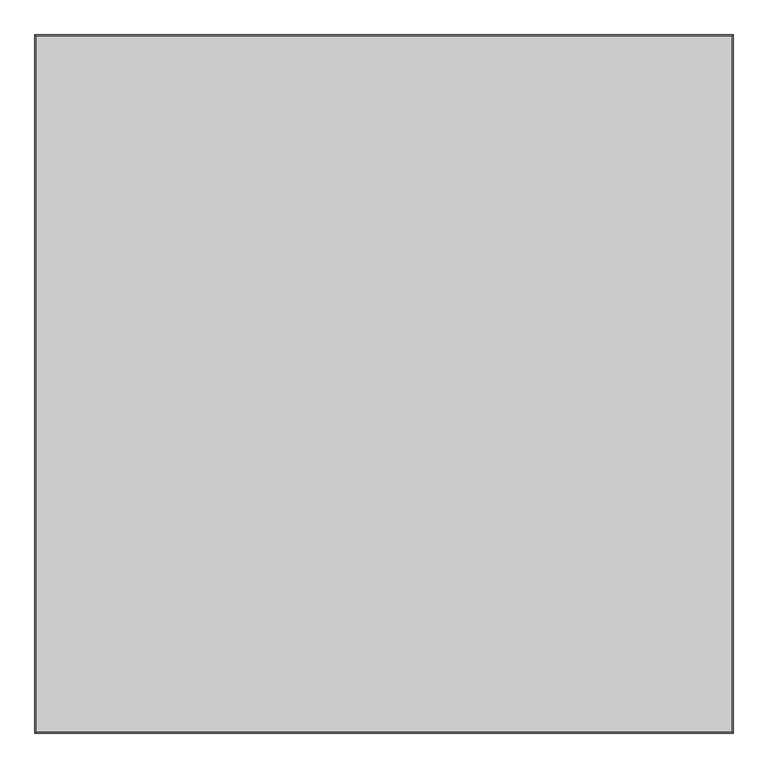
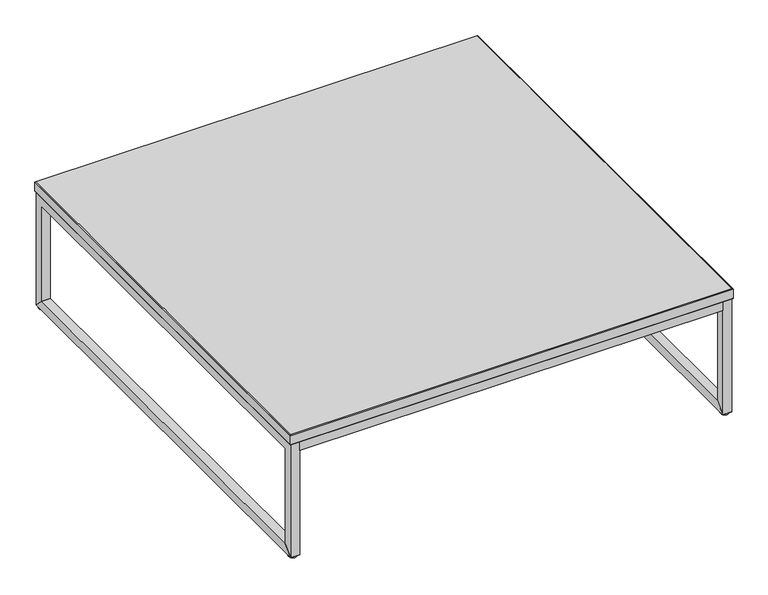
"""IFC4 building model written with IfcOpenShell, lengths in millimetres: furniture geometry."""

import ifcopenshell
import ifcopenshell.guid

model = None  # the IFC model being written
_history = None  # IfcOwnerHistory: only IFC2X3 demands one
_inside = {}  # id of a spatial element -> (the spatial element, [elements in it])
_under = {}  # id of a project, library or spatial element -> (it, [spatial elements below it])
_declared = {}  # id of a project -> (the project, [libraries it declares])
_typed = {}  # id of a type object -> (the type object, [elements of that type])
_made_of = {}  # id of a material, layer set ... -> (it, [elements and type objects made of it])


def new_model(schema):
    """Start an empty IFC model of exactly this schema.

    Asked for "IFC4X3", IfcOpenShell would pick the latest addendum, in which some entities
    have other attributes; the version numbers below select the first issue.
    IFC2X3 requires an IfcOwnerHistory on every rooted entity: one is made here for all.
    """
    global model, _history
    if schema == "IFC4X3":
        model = ifcopenshell.file(schema_version=(4, 3, 0, 0))
    else:
        model = ifcopenshell.file(schema=schema)
    _inside.clear()
    _under.clear()
    _declared.clear()
    _typed.clear()
    _made_of.clear()
    _history = None
    if model.schema == "IFC2X3":
        org = make("IfcOrganization", Name="unknown")
        user = make(
            "IfcPersonAndOrganization",
            ThePerson=make("IfcPerson", FamilyName="unknown"),
            TheOrganization=org,
        )
        app = make(
            "IfcApplication",
            ApplicationDeveloper=org,
            Version="unknown",
            ApplicationFullName="unknown",
            ApplicationIdentifier="unknown",
        )
        _history = make(
            "IfcOwnerHistory",
            OwningUser=user,
            OwningApplication=app,
            ChangeAction="ADDED",
            CreationDate=0,
        )
    return model


def make(cls, **values):
    """One entity of the class cls with the attributes given. An attribute that is None is left unset."""
    return model.create_entity(
        cls, **{name: value for name, value in values.items() if value is not None}
    )


def rooted(cls, **values):
    """An entity with a GlobalId (a new one), such as an element, a storey or a relation."""
    return make(cls, GlobalId=ifcopenshell.guid.new(), OwnerHistory=_history, **values)


def si_unit(unit_type, name, prefix=None):
    """IfcSIUnit, for example si_unit("LENGTHUNIT", "METRE", prefix="MILLI")."""
    return make("IfcSIUnit", UnitType=unit_type, Prefix=prefix, Name=name)


def assignment(units):
    """IfcUnitAssignment: the units of a project."""
    return None if units is None else make("IfcUnitAssignment", Units=units)


def point(xyz):
    """IfcCartesianPoint."""
    return None if xyz is None else make("IfcCartesianPoint", Coordinates=xyz)


def direction(xyz):
    """IfcDirection."""
    return None if xyz is None else make("IfcDirection", DirectionRatios=xyz)


def frame(location, z_axis=None, x_axis=None):
    """IfcAxis2Placement3D, a coordinate frame: its origin and axes. An axis left out is left unset."""
    return make(
        "IfcAxis2Placement3D",
        Location=point(location),
        Axis=direction(z_axis),
        RefDirection=direction(x_axis),
    )


def frame_2d(location, x_axis=None):
    """IfcAxis2Placement2D, a coordinate frame in the plane: its origin and x axis."""
    return make(
        "IfcAxis2Placement2D", Location=point(location), RefDirection=direction(x_axis)
    )


def origin():
    """The frame at (0, 0, 0) with its axes left unset."""
    return frame((0.0, 0.0, 0.0))


def origin_with_axes():
    """The frame at (0, 0, 0) with the z axis (0, 0, 1) and the x axis (1, 0, 0) written out."""
    return frame((0.0, 0.0, 0.0), z_axis=(0.0, 0.0, 1.0), x_axis=(1.0, 0.0, 0.0))


def place(relative_to, where):
    """IfcLocalPlacement: puts the frame where relative to a parent placement (None: the world)."""
    return make(
        "IfcLocalPlacement", PlacementRelTo=relative_to, RelativePlacement=where
    )


def context(
    kind, dimensions, precision=None, world=None, true_north=None, identifier=None
):
    """IfcGeometricRepresentationContext, for example the 3D "Model" context."""
    return make(
        "IfcGeometricRepresentationContext",
        ContextIdentifier=identifier,
        ContextType=kind,
        CoordinateSpaceDimension=dimensions,
        Precision=precision,
        WorldCoordinateSystem=world,
        TrueNorth=true_north,
    )


def project(units=None, contexts=None):
    """IfcProject with its units and contexts."""
    return rooted(
        "IfcProject",
        Name="project",
        RepresentationContexts=contexts,
        UnitsInContext=assignment(units),
    )


def spatial(cls, under=None, at=None, **own):
    """A site, building, storey or space (cls), placed at a placement, below another one or the project."""
    s = rooted(cls, ObjectPlacement=at, **own)
    if under is not None:
        _under.setdefault(under.id(), (under, []))[1].append(s)
    return s


def polyline(points):
    """IfcPolyline through the points."""
    return make("IfcPolyline", Points=[point(p) for p in points])


def circle_curve(where, radius):
    """IfcCircle in the frame where."""
    return make("IfcCircle", Position=where, Radius=radius)


def trimmed(basis, trim1, trim2, sense, master):
    """IfcTrimmedCurve: the piece of a basis curve between two trims."""
    return make(
        "IfcTrimmedCurve",
        BasisCurve=basis,
        Trim1=trim1,
        Trim2=trim2,
        SenseAgreement=sense,
        MasterRepresentation=master,
    )


def segment(curve, same_sense, transition):
    """IfcCompositeCurveSegment."""
    return make(
        "IfcCompositeCurveSegment",
        Transition=transition,
        SameSense=same_sense,
        ParentCurve=curve,
    )


def composite_curve(segments, self_intersect=None):
    """IfcCompositeCurve: segments joined end to end."""
    return make("IfcCompositeCurve", Segments=segments, SelfIntersect=self_intersect)


def outline(outer, holes=None, kind="AREA"):
    """IfcArbitraryClosedProfileDef: a profile drawn as a closed curve; with holes, ...WithVoids."""
    if holes is None:
        return make("IfcArbitraryClosedProfileDef", ProfileType=kind, OuterCurve=outer)
    return make(
        "IfcArbitraryProfileDefWithVoids",
        ProfileType=kind,
        OuterCurve=outer,
        InnerCurves=holes,
    )


def extrude(swept, where, along, depth):
    """IfcExtrudedAreaSolid: the profile swept, set in the frame where, extruded along a direction by depth."""
    return make(
        "IfcExtrudedAreaSolid",
        SweptArea=swept,
        Position=where,
        ExtrudedDirection=direction(along),
        Depth=depth,
    )


def faces_of(points, faces, orient=None, outer=None):
    """IfcFace entities. A face is a list of loops; a loop is a list of indices into points, from 0.

    orient and outer hold one flag for each loop. By default every Orientation is true, the
    first loop of a face is its IfcFaceOuterBound and the others are IfcFaceBound.
    """
    made = []
    for i, loops in enumerate(faces):
        bounds = []
        for j, loop in enumerate(loops):
            is_outer = j == 0 if outer is None else outer[i][j]
            bounds.append(
                make(
                    "IfcFaceOuterBound" if is_outer else "IfcFaceBound",
                    Bound=make("IfcPolyLoop", Polygon=[points[k] for k in loop]),
                    Orientation=True if orient is None else orient[i][j],
                )
            )
        made.append(make("IfcFace", Bounds=bounds))
    return made


def faceted_brep(points, faces, orient=None, outer=None, voids=None):
    """IfcFacetedBrep: a solid bounded by flat faces; with voids (closed shells), ...WithVoids."""
    shared = [point(p) for p in points]
    hull = make("IfcClosedShell", CfsFaces=faces_of(shared, faces, orient, outer))
    if voids is None:
        return make("IfcFacetedBrep", Outer=hull)
    return make(
        "IfcFacetedBrepWithVoids",
        Outer=hull,
        Voids=[
            make(cls, CfsFaces=faces_of(shared, fs, o, b)) for cls, fs, o, b in voids
        ],
    )


def shape(context_of_items, identifier, shape_type, items):
    """IfcShapeRepresentation: the items that make up one representation, for example the "Body"."""
    return make(
        "IfcShapeRepresentation",
        ContextOfItems=context_of_items,
        RepresentationIdentifier=identifier,
        RepresentationType=shape_type,
        Items=items,
    )


def source(mapping_origin, context_of_items, identifier, shape_type, items):
    """IfcRepresentationMap: a shape defined once, which mapped items show again and again."""
    return make(
        "IfcRepresentationMap",
        MappingOrigin=mapping_origin,
        MappedRepresentation=shape(context_of_items, identifier, shape_type, items),
    )


def transform(
    local_origin,
    x_axis=None,
    y_axis=None,
    z_axis=None,
    scale=None,
    scale2=None,
    scale3=None,
    uniform=True,
):
    """IfcCartesianTransformationOperator3D, or its non-uniform kind. x_axis, y_axis, z_axis: its Axis1, 2, 3."""
    if uniform:
        return make(
            "IfcCartesianTransformationOperator3D",
            Axis1=direction(x_axis),
            Axis2=direction(y_axis),
            LocalOrigin=point(local_origin),
            Scale=scale,
            Axis3=direction(z_axis),
        )
    return make(
        "IfcCartesianTransformationOperator3DnonUniform",
        Axis1=direction(x_axis),
        Axis2=direction(y_axis),
        LocalOrigin=point(local_origin),
        Scale=scale,
        Axis3=direction(z_axis),
        Scale2=scale2,
        Scale3=scale3,
    )


def mapped(mapping_source, mapping_target):
    """IfcMappedItem: shows the shape of a source again, moved by a transform."""
    return make(
        "IfcMappedItem", MappingSource=mapping_source, MappingTarget=mapping_target
    )


def made_of(thing, what):
    """Note that an element or type object is made of a material, layer set ...; save() writes the relation."""
    if what is not None:
        _made_of.setdefault(what.id(), (what, []))[1].append(thing)
    return thing


def element(
    cls,
    number,
    at=None,
    inside=None,
    cuts=None,
    type_object=None,
    material=None,
    context=None,
    identifier="Body",
    shape_type=None,
    held_by="IfcProductDefinitionShape",
    body=None,
    shapes=None,
    **own,
):
    """One element of the class cls, such as IfcWall. Its Tag is "e" and its number.

    at: its placement. inside: the storey or other place that contains it. cuts: it is an
    opening in that element (IfcRelVoidsElement). A single representation is given by context,
    identifier, shape_type and body (its items); several are given by shapes. held_by: the class
    of the entity that holds the representations. save() writes the other relations.
    """
    e = rooted(cls, Tag="e%d" % number, ObjectPlacement=at, **own)
    if body is not None:
        shapes = [shape(context, identifier, shape_type, body)]
    if shapes is not None:
        e.Representation = make(held_by, Representations=shapes)
    if inside is not None:
        _inside.setdefault(inside.id(), (inside, []))[1].append(e)
    if cuts is not None:
        rooted(
            "IfcRelVoidsElement", RelatingBuildingElement=cuts, RelatedOpeningElement=e
        )
    if type_object is not None:
        _typed.setdefault(type_object.id(), (type_object, []))[1].append(e)
    return made_of(e, material)


def aggregate(whole, parts):
    """IfcRelAggregates: a whole, such as a stair, and the parts it consists of."""
    return rooted("IfcRelAggregates", RelatingObject=whole, RelatedObjects=parts)


def save(model, path):
    """Write the relations noted so far, then the file.

    IfcRelAggregates (storeys below a building ...), IfcRelContainedInSpatialStructure (elements
    in a storey), IfcRelDefinesByType, IfcRelAssociatesMaterial and IfcRelDeclares: one each for
    every whole, place, type object, material and project.
    """
    for whole, parts in _under.values():
        aggregate(whole, parts)
    for where, things in _inside.values():
        rooted(
            "IfcRelContainedInSpatialStructure",
            RelatedElements=things,
            RelatingStructure=where,
        )
    for kind, things in _typed.values():
        rooted("IfcRelDefinesByType", RelatedObjects=things, RelatingType=kind)
    for what, things in _made_of.values():
        rooted("IfcRelAssociatesMaterial", RelatedObjects=things, RelatingMaterial=what)
    for by, libraries in _declared.values():
        rooted("IfcRelDeclares", RelatingContext=by, RelatedDefinitions=libraries)
    model.write(path)


def furniture_97e4ce33(model_context):
    return source(origin(), model_context, "Body", "SolidModel", [
        extrude(outline(composite_curve([segment(trimmed(circle_curve(frame_2d((989.80625, -492.1861908)), 9.525), [point((980.28125, -492.1861908))], [point((999.33125, -492.1861908))], False, "CARTESIAN"), True, "CONTINUOUS"), segment(trimmed(circle_curve(frame_2d((989.80625, -492.1861908)), 9.525), [point((999.33125, -492.1861908))], [point((980.28125, -492.1861908))], False, "CARTESIAN"), True, "CONTINUOUS")], self_intersect=False)), origin_with_axes(), (0.0, 0.0, 1.0), 3.175),
        extrude(outline(composite_curve([segment(trimmed(circle_curve(frame_2d((989.80625, 484.1263092)), 9.525), [point((980.28125, 484.1263092))], [point((999.33125, 484.1263092))], False, "CARTESIAN"), True, "CONTINUOUS"), segment(trimmed(circle_curve(frame_2d((989.80625, 484.1263092)), 9.525), [point((999.33125, 484.1263092))], [point((980.28125, 484.1263092))], False, "CARTESIAN"), True, "CONTINUOUS")], self_intersect=False)), origin_with_axes(), (0.0, 0.0, 1.0), 3.175),
        extrude(outline(composite_curve([segment(trimmed(circle_curve(frame_2d((13.49375, 484.1263092)), 9.525), [point((3.96875, 484.1263092))], [point((23.01875, 484.1263092))], False, "CARTESIAN"), True, "CONTINUOUS"), segment(trimmed(circle_curve(frame_2d((13.49375, 484.1263092)), 9.525), [point((23.01875, 484.1263092))], [point((3.96875, 484.1263092))], False, "CARTESIAN"), True, "CONTINUOUS")], self_intersect=False)), origin_with_axes(), (0.0, 0.0, 1.0), 3.175),
        extrude(outline(composite_curve([segment(trimmed(circle_curve(frame_2d((13.49375, -492.1861908)), 9.525), [point((3.96875, -492.1861908))], [point((23.01875, -492.1861908))], False, "CARTESIAN"), True, "CONTINUOUS"), segment(trimmed(circle_curve(frame_2d((13.49375, -492.1861908)), 9.525), [point((23.01875, -492.1861908))], [point((3.96875, -492.1861908))], False, "CARTESIAN"), True, "CONTINUOUS")], self_intersect=False)), origin_with_axes(), (0.0, 0.0, 1.0), 3.175),
        extrude(outline(polyline([(979.4875, -481.8674408), (979.4875, -502.5049408), (23.8125, -502.5049408), (23.8125, -481.8674408), (979.4875, -481.8674408)])), frame((0.0, 0.0, 252.4125), z_axis=(0.0, 0.0, 1.0), x_axis=(1.0, 0.0, 0.0)), (0.0, 0.0, 1.0), 20.6375),
        extrude(outline(polyline([(979.4875, 494.4450592), (979.4875, 473.8075592), (23.8125, 473.8075592), (23.8125, 494.4450592), (979.4875, 494.4450592)])), frame((0.0, 0.0, 252.4125), z_axis=(0.0, 0.0, 1.0), x_axis=(1.0, 0.0, 0.0)), (0.0, 0.0, 1.0), 20.6375),
        faceted_brep([(1001.7125, 496.0325592, 274.6375), (1.5875, 496.0325592, 274.6375), (1.5875, -504.0924408, 274.6375), (1001.7125, -504.0924408, 274.6375), (1000.125, 494.4450592, 273.05), (1000.125, -502.5049408, 273.05), (3.175, -502.5049408, 273.05), (3.175, 494.4450592, 273.05)], [[[0, 1, 2, 3]], [[4, 5, 6, 7]], [[4, 7, 1, 0]], [[7, 6, 2, 1]], [[6, 5, 3, 2]], [[5, 4, 0, 3]]]),
        faceted_brep([(1000.125, 494.4450592, 298.45), (3.175, 494.4450592, 298.45), (3.175, -502.5049408, 298.45), (1000.125, -502.5049408, 298.45), (1001.7125, 496.0325592, 296.8625), (1001.7125, -504.0924408, 296.8625), (1.5875, -504.0924408, 296.8625), (1.5875, 496.0325592, 296.8625)], [[[0, 1, 2, 3]], [[4, 5, 6, 7]], [[4, 7, 1, 0]], [[7, 6, 2, 1]], [[6, 5, 3, 2]], [[5, 4, 0, 3]]]),
        extrude(outline(polyline([(-502.5049408, 3.175), (-481.8674408, 23.8125), (473.8075592, 23.8125), (494.4450592, 3.175), (-502.5049408, 3.175)])), frame((979.4875, 0.0, 0.0), z_axis=(1.0, 0.0, 0.0), x_axis=(0.0, 1.0, 0.0)), (0.0, 0.0, 1.0), 20.6375),
        extrude(outline(polyline([(-481.8674408, 252.4125), (-481.8674408, 23.8125), (-502.5049408, 3.175), (-502.5049408, 273.05), (494.4450592, 273.05), (494.4450592, 3.175), (473.8075592, 23.8125), (473.8075592, 252.4125), (-481.8674408, 252.4125)])), frame((979.4875, 0.0, 0.0), z_axis=(1.0, 0.0, 0.0), x_axis=(0.0, 1.0, 0.0)), (0.0, 0.0, 1.0), 20.6375),
        extrude(outline(polyline([(-502.5049408, 3.175), (-481.8674408, 23.8125), (473.8075592, 23.8125), (494.4450592, 3.175), (-502.5049408, 3.175)])), frame((3.175, 0.0, 0.0), z_axis=(1.0, 0.0, 0.0), x_axis=(0.0, 1.0, 0.0)), (0.0, 0.0, 1.0), 20.6375),
        extrude(outline(polyline([(-481.8674408, 252.4125), (-481.8674408, 23.8125), (-502.5049408, 3.175), (-502.5049408, 273.05), (494.4450592, 273.05), (494.4450592, 3.175), (473.8075592, 23.8125), (473.8075592, 252.4125), (-481.8674408, 252.4125)])), frame((3.175, 0.0, 0.0), z_axis=(1.0, 0.0, 0.0), x_axis=(0.0, 1.0, 0.0)), (0.0, 0.0, 1.0), 20.6375),
        extrude(outline(polyline([(1001.7125, 496.0325592), (1001.7125, -504.0924408), (1.5875, -504.0924408), (1.5875, 496.0325592), (1001.7125, 496.0325592)])), frame((0.0, 0.0, 274.6375), z_axis=(0.0, 0.0, 1.0), x_axis=(1.0, 0.0, 0.0)), (0.0, 0.0, 1.0), 22.225),
    ])


if __name__ == "__main__":
    model = new_model("IFC4")
    model_context = context("Model", 3, world=origin())
    ifc_project = project(units=[si_unit("LENGTHUNIT", "METRE", prefix="MILLI")], contexts=[model_context])
    site = spatial("IfcSite", under=ifc_project)
    building = spatial("IfcBuilding", under=site)
    placement = place(None, origin())
    furniture_shape = furniture_97e4ce33(model_context)
    element("IfcFurniture", 1, at=placement, inside=building, context=model_context, shape_type="MappedRepresentation", body=[
        mapped(furniture_shape, transform((0.0, 0.0, 0.0), x_axis=(1.0, 0.0, 0.0), y_axis=(0.0, 1.0, 0.0), z_axis=(0.0, 0.0, 1.0))),
    ])
    save(model, "model.ifc")
